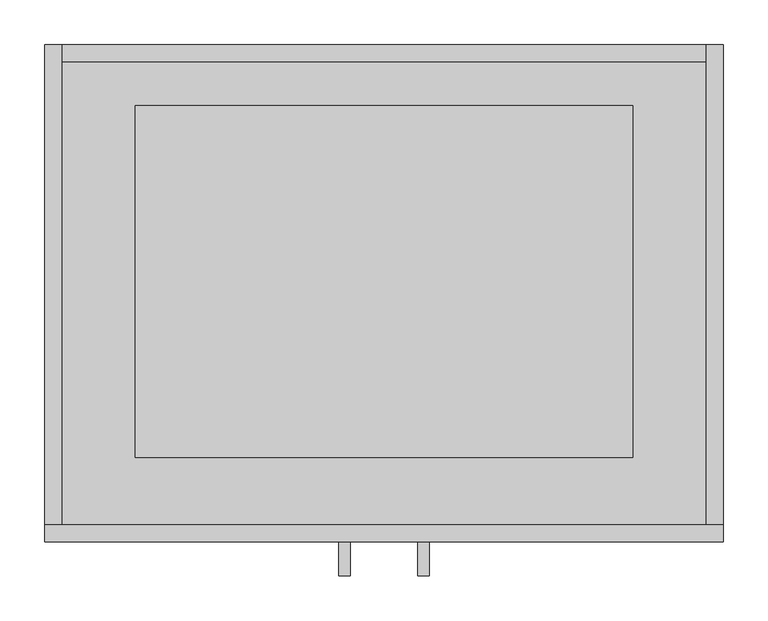
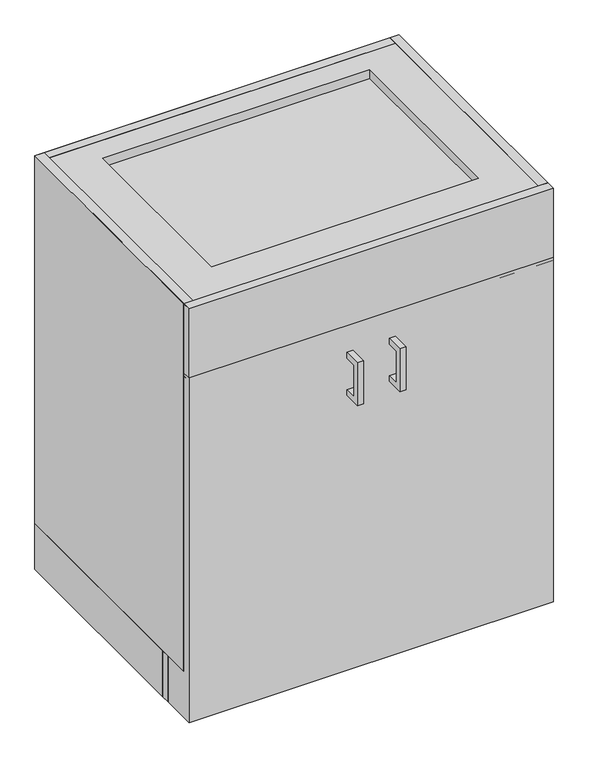
"""IFC4 building model written with IfcOpenShell, lengths in millimetres: proxy geometry."""

from ifc_helpers import new_model, si_unit, frame, origin, origin_with_axes, place, context, project, spatial, polyline, outline, extrude, faceted_brep, source, transform, mapped, element, save


def specialty_equipment_4849f337(model_context):
    return source(origin(), model_context, "Body", "SolidModel", [
        extrude(outline(polyline([(381.0, -279.4), (-381.0, -279.4), (-381.0, -260.35), (381.0, -260.35), (381.0, -279.4)])), frame((0.0, 0.0, 762.0), z_axis=(0.0, 0.0, 1.0), x_axis=(1.0, 0.0, 0.0)), (0.0, 0.0, 1.0), 152.4),
        extrude(outline(polyline([(-381.0, -260.35), (-381.0, 279.4), (-361.95, 279.4), (-361.95, -260.35), (-381.0, -260.35)])), frame((0.0, 0.0, 101.6), z_axis=(0.0, 0.0, 1.0), x_axis=(1.0, 0.0, 0.0)), (0.0, 0.0, 1.0), 812.8),
        extrude(outline(polyline([(361.95, -260.35), (361.95, 279.4), (381.0, 279.4), (381.0, -260.35), (361.95, -260.35)])), frame((0.0, 0.0, 101.6), z_axis=(0.0, 0.0, 1.0), x_axis=(1.0, 0.0, 0.0)), (0.0, 0.0, 1.0), 812.8),
        extrude(outline(polyline([(381.0, -203.2), (-381.0, -203.2), (-381.0, -184.15), (381.0, -184.15), (381.0, -203.2)])), origin_with_axes(), (0.0, 0.0, 1.0), 101.6),
        extrude(outline(polyline([(-381.0, -184.15), (-381.0, 279.4), (-361.95, 279.4), (-361.95, -184.15), (-381.0, -184.15)])), origin_with_axes(), (0.0, 0.0, 1.0), 101.6),
        extrude(outline(polyline([(361.95, -203.2), (361.95, 279.4), (381.0, 279.4), (381.0, -203.2), (361.95, -203.2)])), origin_with_axes(), (0.0, 0.0, 1.0), 101.6),
        extrude(outline(polyline([(381.0, 260.35), (-381.0, 260.35), (-381.0, 279.4), (381.0, 279.4), (381.0, 260.35)])), origin_with_axes(), (0.0, 0.0, 1.0), 101.6),
        extrude(outline(polyline([(361.95, 260.35), (361.95, -260.35), (-361.95, -260.35), (-361.95, 260.35), (361.95, 260.35)])), frame((0.0, 0.0, 101.6), z_axis=(0.0, 0.0, 1.0), x_axis=(1.0, 0.0, 0.0)), (0.0, 0.0, 1.0), 19.1166954),
        extrude(outline(polyline([(361.95, 260.35), (-361.95, 260.35), (-361.95, 279.4), (361.95, 279.4), (361.95, 260.35)])), frame((0.0, 0.0, 101.6), z_axis=(0.0, 0.0, 1.0), x_axis=(1.0, 0.0, 0.0)), (0.0, 0.0, 1.0), 812.8),
        extrude(outline(polyline([(-317.5, 607.4968273), (-317.5, 702.7468273), (-279.4, 702.7468273), (-279.4, 690.0627573), (-304.8159299, 690.0627573), (-304.8159299, 620.1808974), (-279.4, 620.1808974), (-279.4, 607.4968273), (-317.5, 607.4968273)])), frame((38.1, 0.0, 0.0), z_axis=(1.0, 0.0, 0.0), x_axis=(0.0, 1.0, 0.0)), (0.0, 0.0, 1.0), 12.7),
        extrude(outline(polyline([(-317.5, 607.4968273), (-317.5, 702.7468273), (-279.4, 702.7468273), (-279.4, 690.0627573), (-304.8159299, 690.0627573), (-304.8159299, 620.1808974), (-279.4, 620.1808974), (-279.4, 607.4968273), (-317.5, 607.4968273)])), frame((-50.8, 0.0, 0.0), z_axis=(1.0, 0.0, 0.0), x_axis=(0.0, 1.0, 0.0)), (0.0, 0.0, 1.0), 12.7),
        faceted_brep([(-381.0, 279.4, 914.4), (-381.0, 0.0, 914.4), (-381.0, -279.4, 914.4), (381.0, -279.4, 914.4), (381.0, 279.4, 914.4), (-279.4, 210.4990776, 914.4), (279.4, 210.4990776, 914.4), (279.4, -184.15, 914.4), (-279.4, -184.15, 914.4), (-381.0, 279.4, 0.0), (381.0, 279.4, 0.0), (381.0, -279.4, 0.0), (-381.0, -279.4, 0.0), (-381.0, 0.0, 0.0), (279.4, 210.4990776, 895.35), (-279.4, 210.4990776, 895.35), (-279.4, -184.15, 895.35), (279.4, -184.15, 895.35)], [[[0, 1, 2, 3, 4], [5, 6, 7, 8]], [[9, 10, 11, 12, 13]], [[1, 0, 9, 13]], [[2, 1, 13, 12]], [[3, 2, 12, 11]], [[4, 3, 11, 10]], [[0, 4, 10, 9]], [[14, 15, 16, 17]], [[15, 14, 6, 5]], [[16, 15, 5, 8]], [[17, 16, 8, 7]], [[14, 17, 7, 6]]]),
        extrude(outline(polyline([(0.0, -279.4), (-381.0, -279.4), (-381.0, -260.35), (0.0, -260.35), (0.0, -279.4)])), frame((0.0, 0.0, 101.6), z_axis=(0.0, 0.0, 1.0), x_axis=(1.0, 0.0, 0.0)), (0.0, 0.0, 1.0), 654.05),
        extrude(outline(polyline([(381.0, -279.4), (0.0, -279.4), (0.0, -260.35), (381.0, -260.35), (381.0, -279.4)])), frame((0.0, 0.0, 101.6), z_axis=(0.0, 0.0, 1.0), x_axis=(1.0, 0.0, 0.0)), (0.0, 0.0, 1.0), 654.05),
    ])


if __name__ == "__main__":
    model = new_model("IFC4")
    model_context = context("Model", 3, world=origin())
    ifc_project = project(units=[si_unit("LENGTHUNIT", "METRE", prefix="MILLI")], contexts=[model_context])
    site = spatial("IfcSite", under=ifc_project)
    building = spatial("IfcBuilding", under=site)
    placement = place(None, origin())
    specialty_equipment_shape = specialty_equipment_4849f337(model_context)
    element("IfcBuildingElementProxy", 1, Name="Specialty Equipment", at=placement, inside=building, context=model_context, shape_type="MappedRepresentation", body=[
        mapped(specialty_equipment_shape, transform((0.0, 0.0, 0.0), x_axis=(1.0, 0.0, 0.0), y_axis=(0.0, 1.0, 0.0), z_axis=(0.0, 0.0, 1.0))),
    ])
    save(model, "model.ifc")
